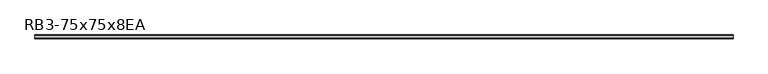
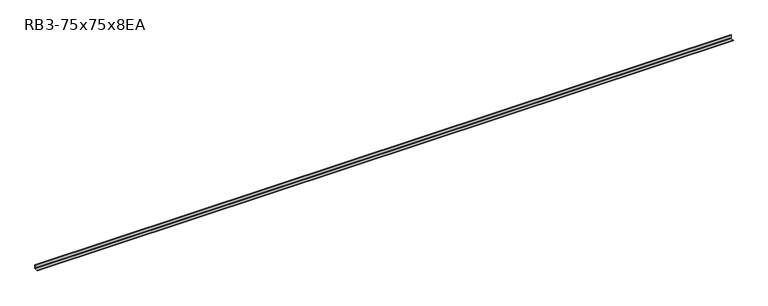
"""IFC4 building model written with IfcOpenShell, lengths in millimetres: member geometry, RB3-75x75x8EA."""

from ifc_helpers import new_model, si_unit, point, frame, frame_2d, origin, place, context, project, spatial, polyline, circle_curve, trimmed, segment, composite_curve, outline, extrude, source, transform, mapped, element, save


def rb3_75x75x8ea_602de987(model_context):
    return source(origin(), model_context, "Body", "SweptSolid", [
        extrude(outline(composite_curve([segment(polyline([(21.3, -21.3), (-53.7, -21.3), (-53.7, -18.3)]), True, "CONTINUOUS"), segment(trimmed(circle_curve(frame_2d((-48.7, -18.3)), 5.0), [point((-53.7, -18.3))], [point((-48.7, -13.3))], False, "CARTESIAN"), True, "CONTINUOUS"), segment(polyline([(-48.7, -13.3), (5.3, -13.3)]), True, "CONTINUOUS"), segment(trimmed(circle_curve(frame_2d((5.3, -5.3)), 8.0), [point((5.3, -13.3))], [point((13.3, -5.3))], True, "CARTESIAN"), True, "CONTINUOUS"), segment(polyline([(13.3, -5.3), (13.3, 48.7)]), True, "CONTINUOUS"), segment(trimmed(circle_curve(frame_2d((18.3, 48.7)), 5.0), [point((13.3, 48.7))], [point((18.3, 53.7))], False, "CARTESIAN"), True, "CONTINUOUS"), segment(polyline([(18.3, 53.7), (21.3, 53.7), (21.3, -21.3)]), True, "CONTINUOUS")], self_intersect=False)), frame((-6983.5, 0.0, 0.0), z_axis=(1.0, 0.0, 0.0), x_axis=(0.0, 1.0, 0.0)), (0.0, 0.0, 1.0), 13851.0),
    ])


if __name__ == "__main__":
    model = new_model("IFC4")
    model_context = context("Model", 3, world=origin())
    ifc_project = project(units=[si_unit("LENGTHUNIT", "METRE", prefix="MILLI")], contexts=[model_context])
    site = spatial("IfcSite", under=ifc_project)
    building = spatial("IfcBuilding", under=site)
    placement = place(None, origin())
    rb3_75x75x8ea_shape = rb3_75x75x8ea_602de987(model_context)
    element("IfcMember", 1, ObjectType="RB3-75x75x8EA", at=placement, inside=building, context=model_context, shape_type="MappedRepresentation", body=[
        mapped(rb3_75x75x8ea_shape, transform((0.0, 0.0, 0.0), x_axis=(1.0, 0.0, 0.0), y_axis=(0.0, 1.0, 0.0), z_axis=(0.0, 0.0, 1.0))),
    ])
    save(model, "model.ifc")
